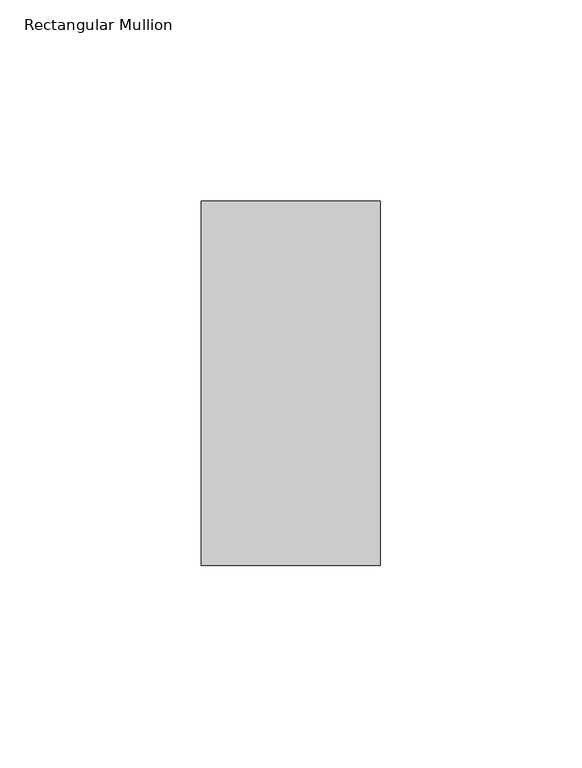
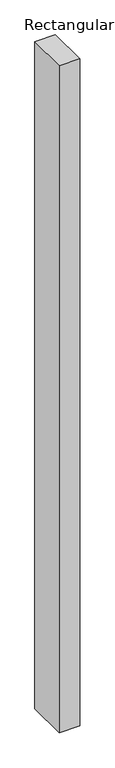
"""IFC4 building model written with IfcOpenShell, lengths in millimetres: member geometry, Rectangular Mullion."""

from ifc_helpers import new_model, si_unit, frame, origin, place, context, project, spatial, polyline, outline, extrude, source, transform, mapped, element, save


def rectangular_mullion_da83b560(model_context):
    return source(origin(), model_context, "Body", "SweptSolid", [
        extrude(outline(polyline([(0.0, 45.2274954), (0.0, -45.2274954), (-44.4247897, -45.2274954), (-44.4247897, 45.2274954), (0.0, 45.2274954)])), frame((0.0, 0.0, -1524.0), z_axis=(0.0, 0.0, 1.0), x_axis=(1.0, 0.0, 0.0)), (0.0, 0.0, 1.0), 1524.0),
    ])


if __name__ == "__main__":
    model = new_model("IFC4")
    model_context = context("Model", 3, world=origin())
    ifc_project = project(units=[si_unit("LENGTHUNIT", "METRE", prefix="MILLI")], contexts=[model_context])
    site = spatial("IfcSite", under=ifc_project)
    building = spatial("IfcBuilding", under=site)
    placement = place(None, origin())
    rectangular_mullion_shape = rectangular_mullion_da83b560(model_context)
    element("IfcMember", 1, ObjectType="Rectangular Mullion", at=placement, inside=building, context=model_context, shape_type="MappedRepresentation", body=[
        mapped(rectangular_mullion_shape, transform((0.0, 0.0, 0.0), x_axis=(1.0, 0.0, 0.0), y_axis=(0.0, 1.0, 0.0), z_axis=(0.0, 0.0, 1.0))),
    ])
    save(model, "model.ifc")
